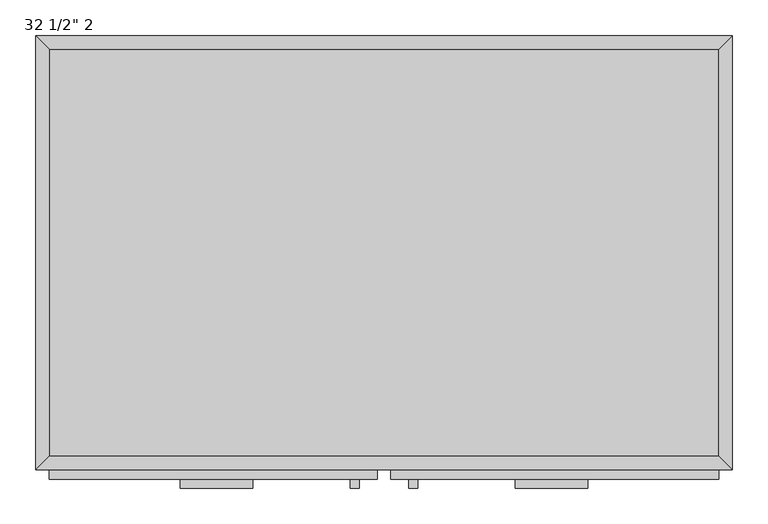
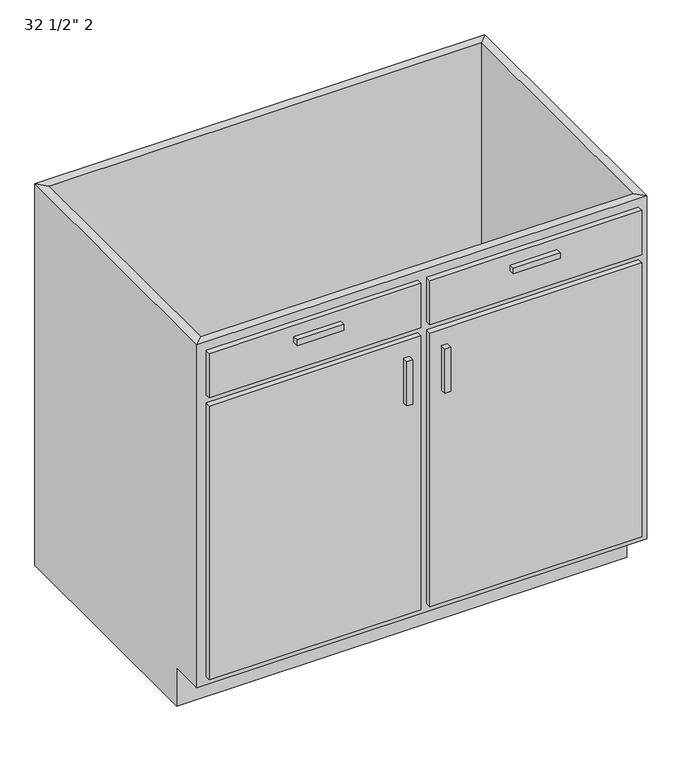
"""IFC4 building model written with IfcOpenShell, lengths in millimetres: furniture geometry."""

from ifc_helpers import new_model, si_unit, frame, origin, place, context, project, spatial, polyline, outline, extrude, faceted_brep, source, transform, mapped, element, save


def furniture_01766c79(model_context):
    return source(origin(), model_context, "Body", "SolidModel", [
        faceted_brep([(488.6377049, -590.55, 876.3), (488.6377049, -590.55, 88.9), (-451.1622951, -590.55, 88.9), (-451.1622951, -590.55, 876.3), (-470.2122951, -609.6, 876.3), (507.6877049, -609.6, 876.3), (-470.2122951, -609.6, 88.9), (507.6877049, -609.6, 88.9), (-451.1622951, -533.4, 88.9), (-451.1622951, -19.05, 88.9), (-451.1622951, -19.05, 876.3), (-470.2122951, 0.0, 876.3), (-470.2122951, 0.0, 0.0), (-470.2122951, -533.4, 0.0), (-470.2122951, -533.4, 88.9), (488.6377049, -19.05, 88.9), (488.6377049, -19.05, 876.3), (507.6877049, 0.0, 876.3), (507.6877049, 0.0, 0.0), (488.6377049, -533.4, 88.9), (507.6877049, -533.4, 88.9), (507.6877049, -533.4, 0.0)], [[[0, 1, 2, 3]], [[0, 3, 4, 5]], [[5, 4, 6, 7]], [[2, 1, 7, 6]], [[3, 2, 8, 9, 10]], [[4, 3, 10, 11]], [[6, 4, 11, 12, 13, 14]], [[2, 6, 14, 8]], [[10, 9, 15, 16]], [[11, 10, 16, 17]], [[12, 11, 17, 18]], [[1, 0, 16, 15, 19]], [[0, 5, 17, 16]], [[5, 7, 20, 21, 18, 17]], [[7, 1, 19, 20]], [[8, 19, 15, 9]], [[18, 21, 13, 12]], [[13, 21, 20, 19, 8, 14]]]),
        extrude(outline(polyline([(-165.4122951, -635.0), (-267.0122951, -635.0), (-267.0122951, -622.3), (-165.4122951, -622.3), (-165.4122951, -635.0)])), frame((0.0, 0.0, 819.15), z_axis=(0.0, 0.0, 1.0), x_axis=(1.0, 0.0, 0.0)), (0.0, 0.0, 1.0), 12.7),
        extrude(outline(polyline([(304.4877049, -635.0), (202.8877049, -635.0), (202.8877049, -622.3), (304.4877049, -622.3), (304.4877049, -635.0)])), frame((0.0, 0.0, 819.15), z_axis=(0.0, 0.0, 1.0), x_axis=(1.0, 0.0, 0.0)), (0.0, 0.0, 1.0), 12.7),
        extrude(outline(polyline([(-16.1872951, -635.0), (-28.8872951, -635.0), (-28.8872951, -622.3), (-16.1872951, -622.3), (-16.1872951, -635.0)])), frame((0.0, 0.0, 596.9), z_axis=(0.0, 0.0, 1.0), x_axis=(1.0, 0.0, 0.0)), (0.0, 0.0, 1.0), 101.6),
        extrude(outline(polyline([(66.3627049, -635.0), (53.6627049, -635.0), (53.6627049, -622.3), (66.3627049, -622.3), (66.3627049, -635.0)])), frame((0.0, 0.0, 596.9), z_axis=(0.0, 0.0, 1.0), x_axis=(1.0, 0.0, 0.0)), (0.0, 0.0, 1.0), 101.6),
        extrude(outline(polyline([(488.6377049, -19.05), (488.6377049, -590.55), (-451.1622951, -590.55), (-451.1622951, -19.05), (488.6377049, -19.05)])), frame((0.0, 0.0, 88.9), z_axis=(0.0, 0.0, 1.0), x_axis=(1.0, 0.0, 0.0)), (0.0, 0.0, 1.0), 19.05),
        extrude(outline(polyline([(9.2127049, -622.3), (-451.1622951, -622.3), (-451.1622951, -609.6), (9.2127049, -609.6), (9.2127049, -622.3)])), frame((0.0, 0.0, 755.65), z_axis=(0.0, 0.0, 1.0), x_axis=(1.0, 0.0, 0.0)), (0.0, 0.0, 1.0), 101.6),
        extrude(outline(polyline([(488.6377049, -622.3), (28.2627049, -622.3), (28.2627049, -609.6), (488.6377049, -609.6), (488.6377049, -622.3)])), frame((0.0, 0.0, 755.65), z_axis=(0.0, 0.0, 1.0), x_axis=(1.0, 0.0, 0.0)), (0.0, 0.0, 1.0), 101.6),
        extrude(outline(polyline([(9.2127049, -622.3), (-451.1622951, -622.3), (-451.1622951, -609.6), (9.2127049, -609.6), (9.2127049, -622.3)])), frame((0.0, 0.0, 107.95), z_axis=(0.0, 0.0, 1.0), x_axis=(1.0, 0.0, 0.0)), (0.0, 0.0, 1.0), 628.65),
        extrude(outline(polyline([(488.6377049, -622.3), (28.2627049, -622.3), (28.2627049, -609.6), (488.6377049, -609.6), (488.6377049, -622.3)])), frame((0.0, 0.0, 107.95), z_axis=(0.0, 0.0, 1.0), x_axis=(1.0, 0.0, 0.0)), (0.0, 0.0, 1.0), 628.65),
    ])


if __name__ == "__main__":
    model = new_model("IFC4")
    model_context = context("Model", 3, world=origin())
    ifc_project = project(units=[si_unit("LENGTHUNIT", "METRE", prefix="MILLI")], contexts=[model_context])
    site = spatial("IfcSite", under=ifc_project)
    building = spatial("IfcBuilding", under=site)
    placement = place(None, origin())
    furniture_shape = furniture_01766c79(model_context)
    element("IfcFurniture", 1, ObjectType="32 1/2\" 2", at=placement, inside=building, context=model_context, shape_type="MappedRepresentation", body=[
        mapped(furniture_shape, transform((0.0, 0.0, 0.0), x_axis=(1.0, 0.0, 0.0), y_axis=(0.0, 1.0, 0.0), z_axis=(0.0, 0.0, 1.0))),
    ])
    save(model, "model.ifc")
